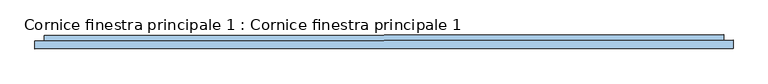
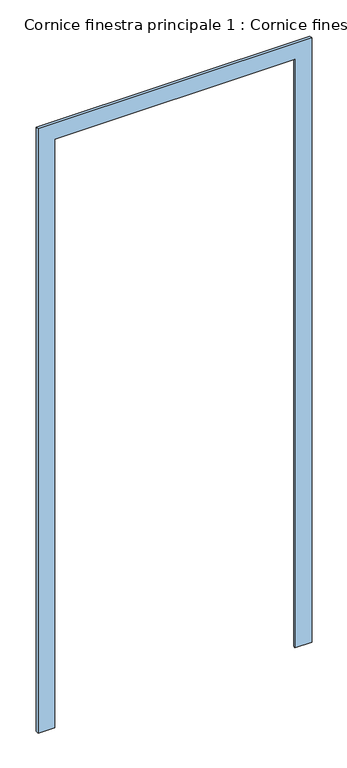
"""IFC4 building model written with IfcOpenShell, lengths in millimetres: window geometry, Cornice finestra principale 1 : Cornice finestra principale 1."""

from ifc_helpers import new_model, si_unit, frame, origin, place, context, project, spatial, circle_curve, ellipse_curve, source, transform, mapped, element, save
from ifc_brep_helpers import plane_surface, cylinder_surface, advanced_brep


def cornice_finestra_principale_1_cornice_finestra_principale_1_14e87658(model_context):
    return source(origin(), model_context, "Body", "AdvancedBrep", [
        advanced_brep(
        [(1517.8518295, 123504.2291658, -1510.0), (1320.2367, 123504.0554301, -1510.0), (1382.8309102, 123566.759798, -1510.0), (1474.4726264, 123566.8403659, -1510.0), (1474.4951335, 123541.2397372, -1510.0), (1517.8192577, 123541.2778261, -1510.0), (1517.8518295, 123504.2291658, 5983.7397602), (-1696.7220496, 123501.4030342, 5983.7397602), (-1696.7220496, 123501.4030342, -1510.0), (-1499.1069202, 123501.5767699, -1510.0), (-1499.1069202, 123501.5767699, 5786.1245544), (1320.2367001, 123504.0554301, 5786.1245544), (1382.8309102, 123566.759798, 5848.7738677), (-1561.8112881, 123564.1709801, 5848.7738677), (-1561.8112881, 123564.1709801, -1510.0), (-1653.4530043, 123564.0904121, -1510.0), (-1653.4530043, 123564.0904121, 5940.4156193), (1474.4726264, 123566.8403659, 5940.4156193), (1474.4951335, 123541.2397372, 5940.4156193), (-1653.4304972, 123538.4897834, 5940.4156193), (-1653.4304972, 123538.4897834, -1510.0), (-1696.7546214, 123538.4516945, -1510.0), (-1696.7546214, 123538.4516945, 5983.7397602), (1517.8192577, 123541.2778261, 5983.7397602)],
        [
            (0, 1),
            (1, 2, circle_curve(frame((1382.8859891, 123504.1105089, -1510.0), z_axis=(0.0, 0.0, -1.0), x_axis=(-0.0008791617904551872, 0.9999996135371986, 0.0)), 62.6493132)),
            (2, 3),
            (3, 4),
            (4, 5),
            (5, 0),
            (0, 6),
            (6, 7),
            (7, 8),
            (8, 9),
            (9, 10),
            (10, 11),
            (11, 1),
            (11, 12, ellipse_curve(frame((1382.8859891, 123504.1105089, 5848.7738677), z_axis=(0.7071065079160799, 0.0006216612637909696, -0.7071067811865475), x_axis=(-0.7071065079160798, -0.0006216612637909693, -0.7071067811865476)), 88.5995085, 62.6493132)),
            (12, 2),
            (12, 13),
            (13, 14),
            (14, 15),
            (15, 16),
            (16, 17),
            (17, 3),
            (17, 18),
            (18, 4),
            (18, 19),
            (19, 20),
            (20, 21),
            (21, 22),
            (22, 23),
            (23, 5),
            (23, 6),
            (10, 13, ellipse_curve(frame((-1561.7562092, 123501.521691, 5848.7738677), z_axis=(0.7071065079160797, 0.0006216612637909693, 0.7071067811865476), x_axis=(0.7071065079160801, 0.0006216612637909696, -0.7071067811865474)), 88.5995085, 62.6493132)),
            (16, 19),
            (22, 7),
            (8, 21),
            (20, 15),
            (14, 9, circle_curve(frame((-1561.7562092, 123501.521691, -1510.0), z_axis=(0.0, 0.0, -1.0), x_axis=(-0.0008791617904551874, 0.9999996135371986, 0.0)), 62.6493132)),
        ],
        [
            plane_surface(frame((1320.2367, 123504.0554301, -1510.0), z_axis=(0.0, 0.0, -1.0000000000000002), x_axis=(-0.9999996135371986, -0.0008791617904551874, 0.0))),
            plane_surface(frame((1517.8518295, 123504.2291658, -1510.0), z_axis=(0.0008791617904551874, -0.9999996135371986, 0.0), x_axis=(0.0, 0.0, 1.0))),
            cylinder_surface(frame((1382.8859891, 123504.1105089, -1510.0), z_axis=(0.0, 0.0, -1.0000000000000002), x_axis=(-0.0008791617904551872, 0.9999996135371986, 0.0)), 62.6493132),
            plane_surface(frame((1382.8309102, 123566.759798, -1510.0), z_axis=(-0.0008791617904551874, 0.9999996135371986, 0.0), x_axis=(0.0, 0.0, 1.0))),
            plane_surface(frame((1474.4726264, 123566.8403659, -1510.0), z_axis=(0.9999996135371986, 0.0008791617904551872, 0.0), x_axis=(0.0, 0.0, 1.0))),
            plane_surface(frame((1474.4951335, 123541.2397372, -1510.0), z_axis=(-0.0008791617904551874, 0.9999996135371986, 0.0), x_axis=(0.0, 0.0, 1.0))),
            plane_surface(frame((1517.8192577, 123541.2778261, -1510.0), z_axis=(0.9999996135371985, 0.0008791617904551872, 0.0), x_axis=(0.0, 0.0, 1.0))),
            cylinder_surface(frame((1320.2367001, 123504.0554301, 5848.7738677), z_axis=(0.9999996135371985, 0.0008791617904551872, 0.0), x_axis=(-0.0008791617904551872, 0.9999996135371985, 0.0)), 62.6493132),
            plane_surface(frame((1474.4726264, 123566.8403659, 5940.4156193), z_axis=(0.0, 0.0, 1.0), x_axis=(-0.9999996135371985, -0.0008791617904554188, 0.0))),
            plane_surface(frame((1517.8192577, 123541.2778261, 5983.7397602), z_axis=(0.0, 0.0, 1.0), x_axis=(-0.9999996135371985, -0.0008791617904542556, 0.0))),
            plane_surface(frame((-1499.1069202, 123501.5767699, -1510.0), z_axis=(0.0, 0.0, -1.0000000000000002), x_axis=(0.9999996135371986, 0.0008791617904551874, 0.0))),
            cylinder_surface(frame((-1561.7562092, 123501.521691, 5786.1245544), z_axis=(0.0, 0.0, 1.0000000000000002), x_axis=(-0.0008791617904551874, 0.9999996135371986, 0.0)), 62.6493132),
            plane_surface(frame((-1653.4530043, 123564.0904121, 5940.4156193), z_axis=(-0.9999996135371986, -0.0008791617904551874, 0.0), x_axis=(0.0, 0.0, -1.0))),
            plane_surface(frame((-1696.7546214, 123538.4516945, 5983.7397602), z_axis=(-0.9999996135371985, -0.0008791617904551871, 0.0), x_axis=(0.0, 0.0, -1.0))),
        ],
        [
            (0, [[1, 2, 3, 4, 5, 6]]),
            (1, [[-1, 7, 8, 9, 10, 11, 12, 13]]),
            (2, [[-2, -13, 14, 15]]),
            (3, [[-3, -15, 16, 17, 18, 19, 20, 21]]),
            (4, [[-4, -21, 22, 23]]),
            (5, [[-5, -23, 24, 25, 26, 27, 28, 29]]),
            (6, [[-6, -29, 30, -7]]),
            (7, [[-14, -12, 31, -16]]),
            (8, [[-22, -20, 32, -24]]),
            (9, [[-30, -28, 33, -8]]),
            (10, [[34, -26, 35, -18, 36, -10]]),
            (11, [[-31, -11, -36, -17]]),
            (12, [[-32, -19, -35, -25]]),
            (13, [[-33, -27, -34, -9]]),
        ],
    ),
    ])


if __name__ == "__main__":
    model = new_model("IFC4")
    model_context = context("Model", 3, world=origin())
    ifc_project = project(units=[si_unit("LENGTHUNIT", "METRE", prefix="MILLI")], contexts=[model_context])
    site = spatial("IfcSite", under=ifc_project)
    building = spatial("IfcBuilding", under=site)
    placement = place(None, origin())
    cornice_finestra_principale_1_cornice_finestra_principale_1_shape = cornice_finestra_principale_1_cornice_finestra_principale_1_14e87658(model_context)
    element("IfcWindow", 1, ObjectType="Cornice finestra principale 1 : Cornice finestra principale 1", at=placement, inside=building, context=model_context, shape_type="MappedRepresentation", body=[
        mapped(cornice_finestra_principale_1_cornice_finestra_principale_1_shape, transform((0.0, 0.0, 0.0), x_axis=(1.0, 0.0, 0.0), y_axis=(0.0, 1.0, 0.0), z_axis=(0.0, 0.0, 1.0))),
    ])
    save(model, "model.ifc")
